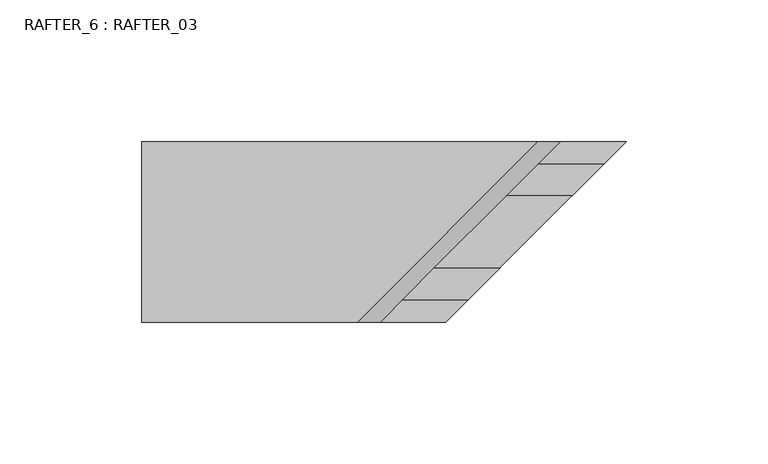
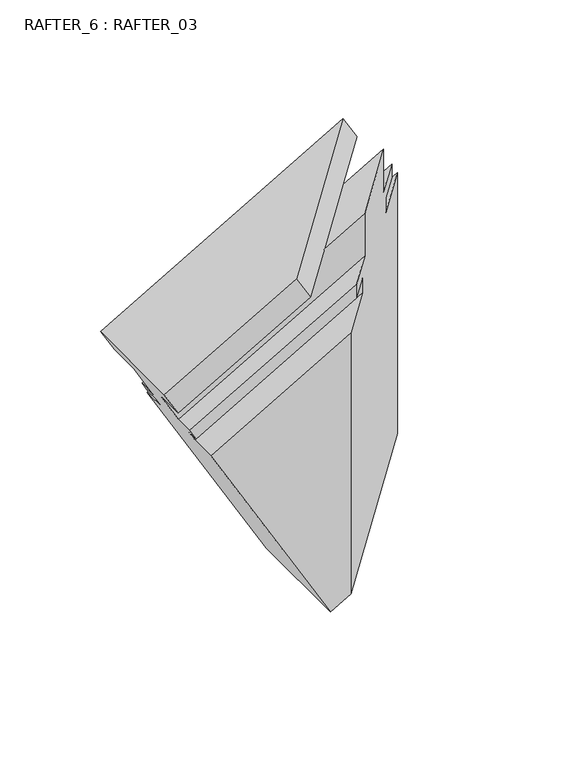
"""IFC4 building model written with IfcOpenShell, lengths in millimetres: proxy geometry, RAFTER_6 : RAFTER_03."""

import ifcopenshell
import ifcopenshell.guid

model = None  # the IFC model being written
_history = None  # IfcOwnerHistory: only IFC2X3 demands one
_inside = {}  # id of a spatial element -> (the spatial element, [elements in it])
_under = {}  # id of a project, library or spatial element -> (it, [spatial elements below it])
_declared = {}  # id of a project -> (the project, [libraries it declares])
_typed = {}  # id of a type object -> (the type object, [elements of that type])
_made_of = {}  # id of a material, layer set ... -> (it, [elements and type objects made of it])


def new_model(schema):
    """Start an empty IFC model of exactly this schema.

    Asked for "IFC4X3", IfcOpenShell would pick the latest addendum, in which some entities
    have other attributes; the version numbers below select the first issue.
    IFC2X3 requires an IfcOwnerHistory on every rooted entity: one is made here for all.
    """
    global model, _history
    if schema == "IFC4X3":
        model = ifcopenshell.file(schema_version=(4, 3, 0, 0))
    else:
        model = ifcopenshell.file(schema=schema)
    _inside.clear()
    _under.clear()
    _declared.clear()
    _typed.clear()
    _made_of.clear()
    _history = None
    if model.schema == "IFC2X3":
        org = make("IfcOrganization", Name="unknown")
        user = make(
            "IfcPersonAndOrganization",
            ThePerson=make("IfcPerson", FamilyName="unknown"),
            TheOrganization=org,
        )
        app = make(
            "IfcApplication",
            ApplicationDeveloper=org,
            Version="unknown",
            ApplicationFullName="unknown",
            ApplicationIdentifier="unknown",
        )
        _history = make(
            "IfcOwnerHistory",
            OwningUser=user,
            OwningApplication=app,
            ChangeAction="ADDED",
            CreationDate=0,
        )
    return model


def make(cls, **values):
    """One entity of the class cls with the attributes given. An attribute that is None is left unset."""
    return model.create_entity(
        cls, **{name: value for name, value in values.items() if value is not None}
    )


def rooted(cls, **values):
    """An entity with a GlobalId (a new one), such as an element, a storey or a relation."""
    return make(cls, GlobalId=ifcopenshell.guid.new(), OwnerHistory=_history, **values)


def si_unit(unit_type, name, prefix=None):
    """IfcSIUnit, for example si_unit("LENGTHUNIT", "METRE", prefix="MILLI")."""
    return make("IfcSIUnit", UnitType=unit_type, Prefix=prefix, Name=name)


def assignment(units):
    """IfcUnitAssignment: the units of a project."""
    return None if units is None else make("IfcUnitAssignment", Units=units)


def point(xyz):
    """IfcCartesianPoint."""
    return None if xyz is None else make("IfcCartesianPoint", Coordinates=xyz)


def direction(xyz):
    """IfcDirection."""
    return None if xyz is None else make("IfcDirection", DirectionRatios=xyz)


def frame(location, z_axis=None, x_axis=None):
    """IfcAxis2Placement3D, a coordinate frame: its origin and axes. An axis left out is left unset."""
    return make(
        "IfcAxis2Placement3D",
        Location=point(location),
        Axis=direction(z_axis),
        RefDirection=direction(x_axis),
    )


def origin():
    """The frame at (0, 0, 0) with its axes left unset."""
    return frame((0.0, 0.0, 0.0))


def place(relative_to, where):
    """IfcLocalPlacement: puts the frame where relative to a parent placement (None: the world)."""
    return make(
        "IfcLocalPlacement", PlacementRelTo=relative_to, RelativePlacement=where
    )


def context(
    kind, dimensions, precision=None, world=None, true_north=None, identifier=None
):
    """IfcGeometricRepresentationContext, for example the 3D "Model" context."""
    return make(
        "IfcGeometricRepresentationContext",
        ContextIdentifier=identifier,
        ContextType=kind,
        CoordinateSpaceDimension=dimensions,
        Precision=precision,
        WorldCoordinateSystem=world,
        TrueNorth=true_north,
    )


def project(units=None, contexts=None):
    """IfcProject with its units and contexts."""
    return rooted(
        "IfcProject",
        Name="project",
        RepresentationContexts=contexts,
        UnitsInContext=assignment(units),
    )


def spatial(cls, under=None, at=None, **own):
    """A site, building, storey or space (cls), placed at a placement, below another one or the project."""
    s = rooted(cls, ObjectPlacement=at, **own)
    if under is not None:
        _under.setdefault(under.id(), (under, []))[1].append(s)
    return s


def faces_of(points, faces, orient=None, outer=None):
    """IfcFace entities. A face is a list of loops; a loop is a list of indices into points, from 0.

    orient and outer hold one flag for each loop. By default every Orientation is true, the
    first loop of a face is its IfcFaceOuterBound and the others are IfcFaceBound.
    """
    made = []
    for i, loops in enumerate(faces):
        bounds = []
        for j, loop in enumerate(loops):
            is_outer = j == 0 if outer is None else outer[i][j]
            bounds.append(
                make(
                    "IfcFaceOuterBound" if is_outer else "IfcFaceBound",
                    Bound=make("IfcPolyLoop", Polygon=[points[k] for k in loop]),
                    Orientation=True if orient is None else orient[i][j],
                )
            )
        made.append(make("IfcFace", Bounds=bounds))
    return made


def faceted_brep(points, faces, orient=None, outer=None, voids=None):
    """IfcFacetedBrep: a solid bounded by flat faces; with voids (closed shells), ...WithVoids."""
    shared = [point(p) for p in points]
    hull = make("IfcClosedShell", CfsFaces=faces_of(shared, faces, orient, outer))
    if voids is None:
        return make("IfcFacetedBrep", Outer=hull)
    return make(
        "IfcFacetedBrepWithVoids",
        Outer=hull,
        Voids=[
            make(cls, CfsFaces=faces_of(shared, fs, o, b)) for cls, fs, o, b in voids
        ],
    )


def shape(context_of_items, identifier, shape_type, items):
    """IfcShapeRepresentation: the items that make up one representation, for example the "Body"."""
    return make(
        "IfcShapeRepresentation",
        ContextOfItems=context_of_items,
        RepresentationIdentifier=identifier,
        RepresentationType=shape_type,
        Items=items,
    )


def source(mapping_origin, context_of_items, identifier, shape_type, items):
    """IfcRepresentationMap: a shape defined once, which mapped items show again and again."""
    return make(
        "IfcRepresentationMap",
        MappingOrigin=mapping_origin,
        MappedRepresentation=shape(context_of_items, identifier, shape_type, items),
    )


def transform(
    local_origin,
    x_axis=None,
    y_axis=None,
    z_axis=None,
    scale=None,
    scale2=None,
    scale3=None,
    uniform=True,
):
    """IfcCartesianTransformationOperator3D, or its non-uniform kind. x_axis, y_axis, z_axis: its Axis1, 2, 3."""
    if uniform:
        return make(
            "IfcCartesianTransformationOperator3D",
            Axis1=direction(x_axis),
            Axis2=direction(y_axis),
            LocalOrigin=point(local_origin),
            Scale=scale,
            Axis3=direction(z_axis),
        )
    return make(
        "IfcCartesianTransformationOperator3DnonUniform",
        Axis1=direction(x_axis),
        Axis2=direction(y_axis),
        LocalOrigin=point(local_origin),
        Scale=scale,
        Axis3=direction(z_axis),
        Scale2=scale2,
        Scale3=scale3,
    )


def mapped(mapping_source, mapping_target):
    """IfcMappedItem: shows the shape of a source again, moved by a transform."""
    return make(
        "IfcMappedItem", MappingSource=mapping_source, MappingTarget=mapping_target
    )


def made_of(thing, what):
    """Note that an element or type object is made of a material, layer set ...; save() writes the relation."""
    if what is not None:
        _made_of.setdefault(what.id(), (what, []))[1].append(thing)
    return thing


def element(
    cls,
    number,
    at=None,
    inside=None,
    cuts=None,
    type_object=None,
    material=None,
    context=None,
    identifier="Body",
    shape_type=None,
    held_by="IfcProductDefinitionShape",
    body=None,
    shapes=None,
    **own,
):
    """One element of the class cls, such as IfcWall. Its Tag is "e" and its number.

    at: its placement. inside: the storey or other place that contains it. cuts: it is an
    opening in that element (IfcRelVoidsElement). A single representation is given by context,
    identifier, shape_type and body (its items); several are given by shapes. held_by: the class
    of the entity that holds the representations. save() writes the other relations.
    """
    e = rooted(cls, Tag="e%d" % number, ObjectPlacement=at, **own)
    if body is not None:
        shapes = [shape(context, identifier, shape_type, body)]
    if shapes is not None:
        e.Representation = make(held_by, Representations=shapes)
    if inside is not None:
        _inside.setdefault(inside.id(), (inside, []))[1].append(e)
    if cuts is not None:
        rooted(
            "IfcRelVoidsElement", RelatingBuildingElement=cuts, RelatedOpeningElement=e
        )
    if type_object is not None:
        _typed.setdefault(type_object.id(), (type_object, []))[1].append(e)
    return made_of(e, material)


def aggregate(whole, parts):
    """IfcRelAggregates: a whole, such as a stair, and the parts it consists of."""
    return rooted("IfcRelAggregates", RelatingObject=whole, RelatedObjects=parts)


def save(model, path):
    """Write the relations noted so far, then the file.

    IfcRelAggregates (storeys below a building ...), IfcRelContainedInSpatialStructure (elements
    in a storey), IfcRelDefinesByType, IfcRelAssociatesMaterial and IfcRelDeclares: one each for
    every whole, place, type object, material and project.
    """
    for whole, parts in _under.values():
        aggregate(whole, parts)
    for where, things in _inside.values():
        rooted(
            "IfcRelContainedInSpatialStructure",
            RelatedElements=things,
            RelatingStructure=where,
        )
    for kind, things in _typed.values():
        rooted("IfcRelDefinesByType", RelatedObjects=things, RelatingType=kind)
    for what, things in _made_of.values():
        rooted("IfcRelAssociatesMaterial", RelatedObjects=things, RelatingMaterial=what)
    for by, libraries in _declared.values():
        rooted("IfcRelDeclares", RelatingContext=by, RelatedDefinitions=libraries)
    model.write(path)


def rafter_6_rafter_03_bc2d43a7(model_context):
    return source(origin(), model_context, "Body", "Brep", [
        faceted_brep([(2516.8661457, -12830.9889432, 1717.675), (2524.8750832, -12830.9889432, 1703.8031133), (2524.8750832, -12850.0389432, 1703.8031133), (2536.1145832, -12850.0389432, 1684.3357283), (2536.1145832, -12838.9137432, 1684.3357283), (2539.6959832, -12838.9137432, 1678.1325615), (2539.6959832, -12846.8639432, 1678.1325615), (2543.6456832, -12846.8639432, 1671.2914804), (2543.6456832, -12830.9889432, 1671.2914804), (2612.3145832, -12830.9889432, 1552.3534567), (2612.3145832, -12894.4889432, 1552.3534567), (2543.6456832, -12894.4889432, 1671.2914804), (2543.6456832, -12878.6139432, 1671.2914804), (2539.6959832, -12878.6139432, 1678.1325615), (2539.6959832, -12886.5641432, 1678.1325615), (2536.1145832, -12886.5641432, 1684.3357283), (2536.1145832, -12875.4389432, 1684.3357283), (2524.8750832, -12875.4389432, 1703.8031133), (2524.8750832, -12894.4889432, 1703.8031133), (2516.8661457, -12894.4889432, 1717.675), (2656.3125543, -12830.9889432, 1798.1844215), (2664.3214918, -12830.9889432, 1784.3125349), (2645.2714918, -12850.0389432, 1773.3140122), (2668.4608691, -12850.0389432, 1786.8234918), (2668.5161546, -12850.0389432, 1760.7778112), (2679.6413546, -12838.9137432, 1767.2009484), (2679.6422639, -12838.9137432, 1758.9305843), (2671.6920639, -12846.8639432, 1754.3405342), (2671.6930667, -12846.8639432, 1745.2196718), (2687.5680667, -12830.9889432, 1754.3851073), (2687.585501, -12830.9889432, 1595.8111414), (2624.085501, -12894.4889432, 1559.1493993), (2624.0680667, -12894.4889432, 1717.7233652), (2639.9430667, -12878.6139432, 1726.8888007), (2639.9420639, -12878.6139432, 1736.0096632), (2631.9918639, -12886.5641432, 1731.4196131), (2631.9909546, -12886.5641432, 1739.6899771), (2643.1161546, -12875.4389432, 1746.1131143), (2643.113301, -12875.4389432, 1772.0679802), (2619.8190599, -12875.4389432, 1758.7401301), (2600.8214918, -12894.4889432, 1747.6507928), (2592.8125543, -12894.4889432, 1761.5226794)], [[[0, 1, 2, 3, 4, 5, 6, 7, 8, 9, 10, 11, 12, 13, 14, 15, 16, 17, 18, 19]], [[1, 0, 20, 21]], [[2, 1, 21, 22]], [[3, 2, 22, 23, 24]], [[4, 3, 24, 25]], [[5, 4, 25, 26]], [[6, 5, 26, 27]], [[7, 6, 27, 28]], [[8, 7, 28, 29]], [[9, 8, 29, 30]], [[10, 9, 30, 31]], [[11, 10, 31, 32]], [[12, 11, 32, 33]], [[13, 12, 33, 34]], [[14, 13, 34, 35]], [[15, 14, 35, 36]], [[16, 15, 36, 37]], [[17, 16, 37, 38, 39]], [[18, 17, 39, 40]], [[19, 18, 40, 41]], [[0, 19, 41, 20]], [[24, 23, 38, 37, 36, 35, 34, 33, 32, 31, 30, 29, 28, 27, 26, 25]], [[39, 22, 21, 20, 41, 40]], [[22, 39, 38, 23]]]),
    ])


if __name__ == "__main__":
    model = new_model("IFC4")
    model_context = context("Model", 3, world=origin())
    ifc_project = project(units=[si_unit("LENGTHUNIT", "METRE", prefix="MILLI")], contexts=[model_context])
    site = spatial("IfcSite", under=ifc_project)
    building = spatial("IfcBuilding", under=site)
    placement = place(None, origin())
    rafter_6_rafter_03_shape = rafter_6_rafter_03_bc2d43a7(model_context)
    element("IfcBuildingElementProxy", 1, Name="RAFTER_6 : RAFTER_03", ObjectType="RAFTER_6 : RAFTER_03", at=placement, inside=building, context=model_context, shape_type="MappedRepresentation", body=[
        mapped(rafter_6_rafter_03_shape, transform((0.0, 0.0, 0.0), x_axis=(1.0, 0.0, 0.0), y_axis=(0.0, 1.0, 0.0), z_axis=(0.0, 0.0, 1.0))),
    ])
    save(model, "model.ifc")
